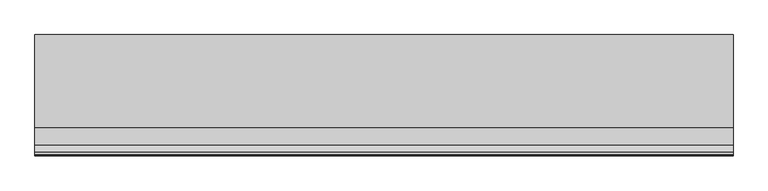
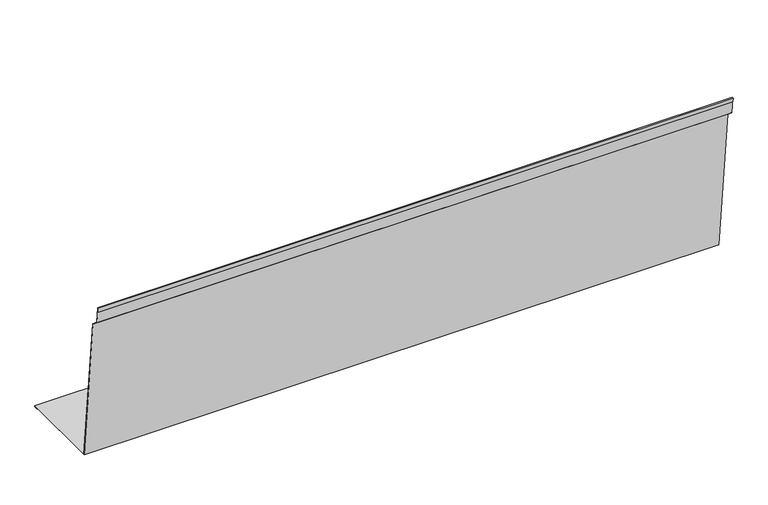
"""IFC4 building model written with IfcOpenShell, lengths in millimetres: proxy geometry."""

import ifcopenshell
import ifcopenshell.guid

model = None  # the IFC model being written
_history = None  # IfcOwnerHistory: only IFC2X3 demands one
_inside = {}  # id of a spatial element -> (the spatial element, [elements in it])
_under = {}  # id of a project, library or spatial element -> (it, [spatial elements below it])
_declared = {}  # id of a project -> (the project, [libraries it declares])
_typed = {}  # id of a type object -> (the type object, [elements of that type])
_made_of = {}  # id of a material, layer set ... -> (it, [elements and type objects made of it])


def new_model(schema):
    """Start an empty IFC model of exactly this schema.

    Asked for "IFC4X3", IfcOpenShell would pick the latest addendum, in which some entities
    have other attributes; the version numbers below select the first issue.
    IFC2X3 requires an IfcOwnerHistory on every rooted entity: one is made here for all.
    """
    global model, _history
    if schema == "IFC4X3":
        model = ifcopenshell.file(schema_version=(4, 3, 0, 0))
    else:
        model = ifcopenshell.file(schema=schema)
    _inside.clear()
    _under.clear()
    _declared.clear()
    _typed.clear()
    _made_of.clear()
    _history = None
    if model.schema == "IFC2X3":
        org = make("IfcOrganization", Name="unknown")
        user = make(
            "IfcPersonAndOrganization",
            ThePerson=make("IfcPerson", FamilyName="unknown"),
            TheOrganization=org,
        )
        app = make(
            "IfcApplication",
            ApplicationDeveloper=org,
            Version="unknown",
            ApplicationFullName="unknown",
            ApplicationIdentifier="unknown",
        )
        _history = make(
            "IfcOwnerHistory",
            OwningUser=user,
            OwningApplication=app,
            ChangeAction="ADDED",
            CreationDate=0,
        )
    return model


def make(cls, **values):
    """One entity of the class cls with the attributes given. An attribute that is None is left unset."""
    return model.create_entity(
        cls, **{name: value for name, value in values.items() if value is not None}
    )


def rooted(cls, **values):
    """An entity with a GlobalId (a new one), such as an element, a storey or a relation."""
    return make(cls, GlobalId=ifcopenshell.guid.new(), OwnerHistory=_history, **values)


def si_unit(unit_type, name, prefix=None):
    """IfcSIUnit, for example si_unit("LENGTHUNIT", "METRE", prefix="MILLI")."""
    return make("IfcSIUnit", UnitType=unit_type, Prefix=prefix, Name=name)


def assignment(units):
    """IfcUnitAssignment: the units of a project."""
    return None if units is None else make("IfcUnitAssignment", Units=units)


def point(xyz):
    """IfcCartesianPoint."""
    return None if xyz is None else make("IfcCartesianPoint", Coordinates=xyz)


def direction(xyz):
    """IfcDirection."""
    return None if xyz is None else make("IfcDirection", DirectionRatios=xyz)


def frame(location, z_axis=None, x_axis=None):
    """IfcAxis2Placement3D, a coordinate frame: its origin and axes. An axis left out is left unset."""
    return make(
        "IfcAxis2Placement3D",
        Location=point(location),
        Axis=direction(z_axis),
        RefDirection=direction(x_axis),
    )


def origin():
    """The frame at (0, 0, 0) with its axes left unset."""
    return frame((0.0, 0.0, 0.0))


def place(relative_to, where):
    """IfcLocalPlacement: puts the frame where relative to a parent placement (None: the world)."""
    return make(
        "IfcLocalPlacement", PlacementRelTo=relative_to, RelativePlacement=where
    )


def context(
    kind, dimensions, precision=None, world=None, true_north=None, identifier=None
):
    """IfcGeometricRepresentationContext, for example the 3D "Model" context."""
    return make(
        "IfcGeometricRepresentationContext",
        ContextIdentifier=identifier,
        ContextType=kind,
        CoordinateSpaceDimension=dimensions,
        Precision=precision,
        WorldCoordinateSystem=world,
        TrueNorth=true_north,
    )


def project(units=None, contexts=None):
    """IfcProject with its units and contexts."""
    return rooted(
        "IfcProject",
        Name="project",
        RepresentationContexts=contexts,
        UnitsInContext=assignment(units),
    )


def spatial(cls, under=None, at=None, **own):
    """A site, building, storey or space (cls), placed at a placement, below another one or the project."""
    s = rooted(cls, ObjectPlacement=at, **own)
    if under is not None:
        _under.setdefault(under.id(), (under, []))[1].append(s)
    return s


def polyline(points):
    """IfcPolyline through the points."""
    return make("IfcPolyline", Points=[point(p) for p in points])


def outline(outer, holes=None, kind="AREA"):
    """IfcArbitraryClosedProfileDef: a profile drawn as a closed curve; with holes, ...WithVoids."""
    if holes is None:
        return make("IfcArbitraryClosedProfileDef", ProfileType=kind, OuterCurve=outer)
    return make(
        "IfcArbitraryProfileDefWithVoids",
        ProfileType=kind,
        OuterCurve=outer,
        InnerCurves=holes,
    )


def extrude(swept, where, along, depth):
    """IfcExtrudedAreaSolid: the profile swept, set in the frame where, extruded along a direction by depth."""
    return make(
        "IfcExtrudedAreaSolid",
        SweptArea=swept,
        Position=where,
        ExtrudedDirection=direction(along),
        Depth=depth,
    )


def shape(context_of_items, identifier, shape_type, items):
    """IfcShapeRepresentation: the items that make up one representation, for example the "Body"."""
    return make(
        "IfcShapeRepresentation",
        ContextOfItems=context_of_items,
        RepresentationIdentifier=identifier,
        RepresentationType=shape_type,
        Items=items,
    )


def source(mapping_origin, context_of_items, identifier, shape_type, items):
    """IfcRepresentationMap: a shape defined once, which mapped items show again and again."""
    return make(
        "IfcRepresentationMap",
        MappingOrigin=mapping_origin,
        MappedRepresentation=shape(context_of_items, identifier, shape_type, items),
    )


def transform(
    local_origin,
    x_axis=None,
    y_axis=None,
    z_axis=None,
    scale=None,
    scale2=None,
    scale3=None,
    uniform=True,
):
    """IfcCartesianTransformationOperator3D, or its non-uniform kind. x_axis, y_axis, z_axis: its Axis1, 2, 3."""
    if uniform:
        return make(
            "IfcCartesianTransformationOperator3D",
            Axis1=direction(x_axis),
            Axis2=direction(y_axis),
            LocalOrigin=point(local_origin),
            Scale=scale,
            Axis3=direction(z_axis),
        )
    return make(
        "IfcCartesianTransformationOperator3DnonUniform",
        Axis1=direction(x_axis),
        Axis2=direction(y_axis),
        LocalOrigin=point(local_origin),
        Scale=scale,
        Axis3=direction(z_axis),
        Scale2=scale2,
        Scale3=scale3,
    )


def mapped(mapping_source, mapping_target):
    """IfcMappedItem: shows the shape of a source again, moved by a transform."""
    return make(
        "IfcMappedItem", MappingSource=mapping_source, MappingTarget=mapping_target
    )


def made_of(thing, what):
    """Note that an element or type object is made of a material, layer set ...; save() writes the relation."""
    if what is not None:
        _made_of.setdefault(what.id(), (what, []))[1].append(thing)
    return thing


def element(
    cls,
    number,
    at=None,
    inside=None,
    cuts=None,
    type_object=None,
    material=None,
    context=None,
    identifier="Body",
    shape_type=None,
    held_by="IfcProductDefinitionShape",
    body=None,
    shapes=None,
    **own,
):
    """One element of the class cls, such as IfcWall. Its Tag is "e" and its number.

    at: its placement. inside: the storey or other place that contains it. cuts: it is an
    opening in that element (IfcRelVoidsElement). A single representation is given by context,
    identifier, shape_type and body (its items); several are given by shapes. held_by: the class
    of the entity that holds the representations. save() writes the other relations.
    """
    e = rooted(cls, Tag="e%d" % number, ObjectPlacement=at, **own)
    if body is not None:
        shapes = [shape(context, identifier, shape_type, body)]
    if shapes is not None:
        e.Representation = make(held_by, Representations=shapes)
    if inside is not None:
        _inside.setdefault(inside.id(), (inside, []))[1].append(e)
    if cuts is not None:
        rooted(
            "IfcRelVoidsElement", RelatingBuildingElement=cuts, RelatedOpeningElement=e
        )
    if type_object is not None:
        _typed.setdefault(type_object.id(), (type_object, []))[1].append(e)
    return made_of(e, material)


def aggregate(whole, parts):
    """IfcRelAggregates: a whole, such as a stair, and the parts it consists of."""
    return rooted("IfcRelAggregates", RelatingObject=whole, RelatedObjects=parts)


def save(model, path):
    """Write the relations noted so far, then the file.

    IfcRelAggregates (storeys below a building ...), IfcRelContainedInSpatialStructure (elements
    in a storey), IfcRelDefinesByType, IfcRelAssociatesMaterial and IfcRelDeclares: one each for
    every whole, place, type object, material and project.
    """
    for whole, parts in _under.values():
        aggregate(whole, parts)
    for where, things in _inside.values():
        rooted(
            "IfcRelContainedInSpatialStructure",
            RelatedElements=things,
            RelatingStructure=where,
        )
    for kind, things in _typed.values():
        rooted("IfcRelDefinesByType", RelatedObjects=things, RelatingType=kind)
    for what, things in _made_of.values():
        rooted("IfcRelAssociatesMaterial", RelatedObjects=things, RelatingMaterial=what)
    for by, libraries in _declared.values():
        rooted("IfcRelDeclares", RelatingContext=by, RelatedDefinitions=libraries)
    model.write(path)


def generic_models_523dfbb8(model_context):
    return source(origin(), model_context, "Body", "SweptSolid", [
        extrude(outline(polyline([(220.1181768, 5.0), (220.1181768, 2.0), (210.1181768, 2.0), (210.1181768, 3.0), (219.1181768, 3.0), (219.1181768, 4.0), (18.9900266, 4.0), (-17.6388111, 352.5268298), (-33.9665692, 365.7324829), (-38.1101278, 404.9282882), (-39.1045865, 404.8231596), (-38.1584296, 395.8730318), (-39.1528883, 395.7679033), (-40.2041737, 405.7124897), (-37.2207977, 406.0278753), (-33.0156562, 366.2495297), (-16.6876196, 353.0436514), (19.8904379, 5.0), (220.1181768, 5.0)])), frame((0.0, 0.0, 0.0), z_axis=(1.0, 0.0, 0.0), x_axis=(0.0, 1.0, 0.0)), (0.0, 0.0, 1.0), 1500.0),
    ])


if __name__ == "__main__":
    model = new_model("IFC4")
    model_context = context("Model", 3, world=origin())
    ifc_project = project(units=[si_unit("LENGTHUNIT", "METRE", prefix="MILLI")], contexts=[model_context])
    site = spatial("IfcSite", under=ifc_project)
    building = spatial("IfcBuilding", under=site)
    placement = place(None, origin())
    generic_models_shape = generic_models_523dfbb8(model_context)
    element("IfcBuildingElementProxy", 1, Name="Generic Models", at=placement, inside=building, context=model_context, shape_type="MappedRepresentation", body=[
        mapped(generic_models_shape, transform((0.0, 0.0, 0.0), x_axis=(1.0, 0.0, 0.0), y_axis=(0.0, 1.0, 0.0), z_axis=(0.0, 0.0, 1.0))),
    ])
    save(model, "model.ifc")
